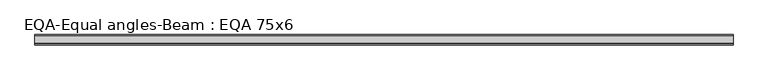
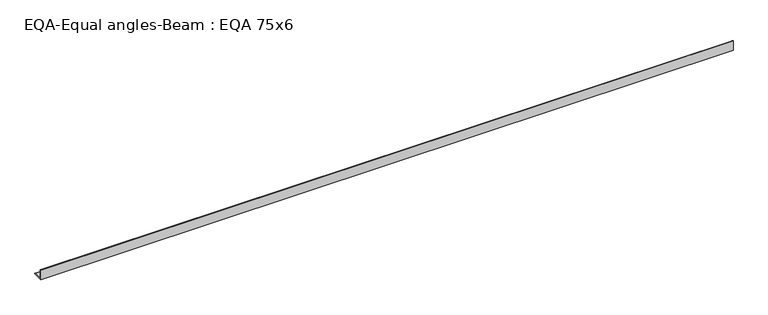
"""IFC4 building model written with IfcOpenShell, lengths in millimetres: beam geometry, EQA-Equal angles-Beam : EQA 75x6."""

from ifc_helpers import new_model, si_unit, point, frame, frame_2d, origin, place, context, project, spatial, polyline, circle_curve, trimmed, segment, composite_curve, outline, extrude, source, transform, mapped, element, save


def eqa_equal_angles_beam_eqa_75x6_3dc4e1e6(model_context):
    return source(origin(), model_context, "Body", "SweptSolid", [
        extrude(outline(composite_curve([segment(polyline([(-20.5, -20.5), (-20.5, 54.5), (-19.0, 54.5)]), True, "CONTINUOUS"), segment(trimmed(circle_curve(frame_2d((-19.0, 50.0)), 4.5), [point((-19.0, 54.5))], [point((-14.5, 50.0))], False, "CARTESIAN"), True, "CONTINUOUS"), segment(polyline([(-14.5, 50.0), (-14.5, -5.5)]), True, "CONTINUOUS"), segment(trimmed(circle_curve(frame_2d((-5.5, -5.5)), 9.0), [point((-14.5, -5.5))], [point((-5.5, -14.5))], True, "CARTESIAN"), True, "CONTINUOUS"), segment(polyline([(-5.5, -14.5), (50.0, -14.5)]), True, "CONTINUOUS"), segment(trimmed(circle_curve(frame_2d((50.0, -19.0)), 4.5), [point((50.0, -14.5))], [point((54.5, -19.0))], False, "CARTESIAN"), True, "CONTINUOUS"), segment(polyline([(54.5, -19.0), (54.5, -20.5), (-20.5, -20.5)]), True, "CONTINUOUS")], self_intersect=False)), frame((-2534.9797016, 0.0, 0.0), z_axis=(1.0, 0.0, 0.0), x_axis=(0.0, 1.0, 0.0)), (0.0, 0.0, 1.0), 5078.0060517),
    ])


if __name__ == "__main__":
    model = new_model("IFC4")
    model_context = context("Model", 3, world=origin())
    ifc_project = project(units=[si_unit("LENGTHUNIT", "METRE", prefix="MILLI")], contexts=[model_context])
    site = spatial("IfcSite", under=ifc_project)
    building = spatial("IfcBuilding", under=site)
    placement = place(None, origin())
    eqa_equal_angles_beam_eqa_75x6_shape = eqa_equal_angles_beam_eqa_75x6_3dc4e1e6(model_context)
    element("IfcBeam", 1, ObjectType="EQA-Equal angles-Beam : EQA 75x6", at=placement, inside=building, context=model_context, shape_type="MappedRepresentation", body=[
        mapped(eqa_equal_angles_beam_eqa_75x6_shape, transform((0.0, 0.0, 0.0), x_axis=(1.0, 0.0, 0.0), y_axis=(0.0, 1.0, 0.0), z_axis=(0.0, 0.0, 1.0))),
    ])
    save(model, "model.ifc")
